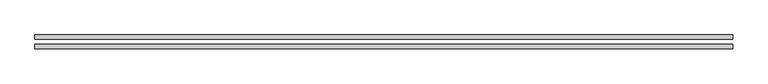
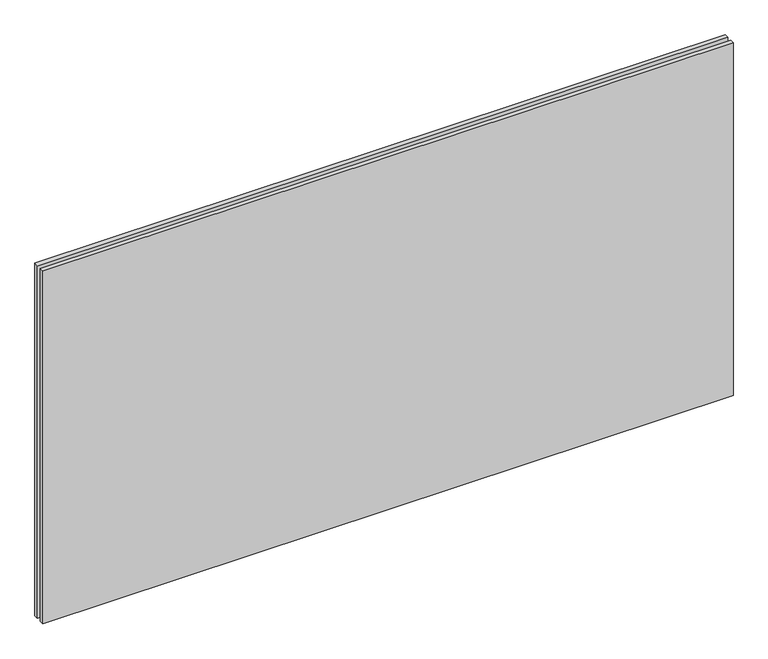
"""IFC4 building model written with IfcOpenShell, lengths in millimetres: plate geometry."""

from ifc_helpers import new_model, si_unit, origin, origin_with_axes, place, context, project, spatial, polyline, outline, extrude, source, transform, mapped, element, save


def plate_19d6f4d0(model_context):
    return source(origin(), model_context, "Body", "SweptSolid", [
        extrude(outline(polyline([(620.0, -34.8), (-620.0, -34.8), (-620.0, -26.8), (620.0, -26.8), (620.0, -34.8)])), origin_with_axes(), (0.0, 0.0, 1.0), 670.0),
        extrude(outline(polyline([(620.0, -17.8), (-620.0, -17.8), (-620.0, -9.8), (620.0, -9.8), (620.0, -17.8)])), origin_with_axes(), (0.0, 0.0, 1.0), 670.0),
    ])


if __name__ == "__main__":
    model = new_model("IFC4")
    model_context = context("Model", 3, world=origin())
    ifc_project = project(units=[si_unit("LENGTHUNIT", "METRE", prefix="MILLI")], contexts=[model_context])
    site = spatial("IfcSite", under=ifc_project)
    building = spatial("IfcBuilding", under=site)
    placement = place(None, origin())
    plate_shape = plate_19d6f4d0(model_context)
    element("IfcPlate", 1, at=placement, inside=building, context=model_context, shape_type="MappedRepresentation", body=[
        mapped(plate_shape, transform((0.0, 0.0, 0.0), x_axis=(1.0, 0.0, 0.0), y_axis=(0.0, 1.0, 0.0), z_axis=(0.0, 0.0, 1.0))),
    ])
    save(model, "model.ifc")
